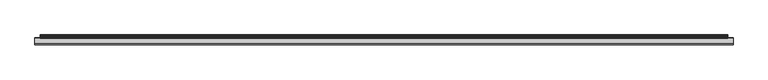
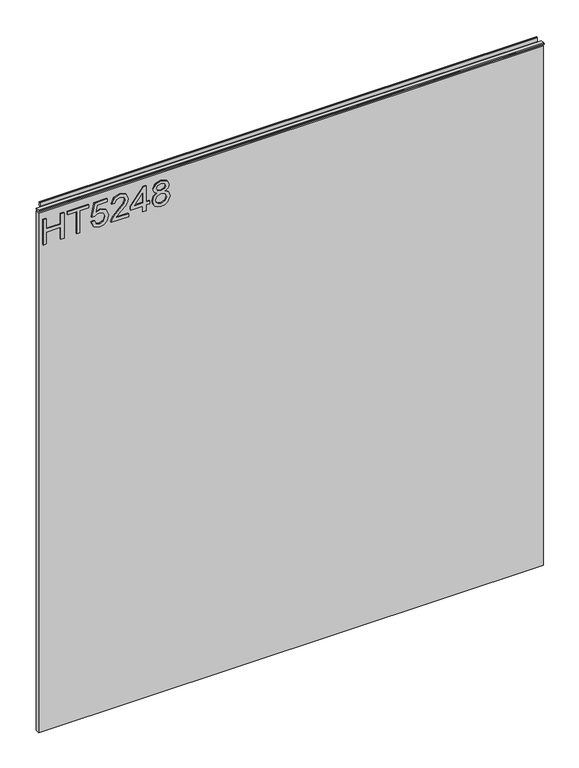
"""IFC4 building model written with IfcOpenShell, lengths in millimetres: furniture geometry."""

from ifc_helpers import new_model, si_unit, frame, origin, place, context, project, spatial, polyline, outline, extrude, source, transform, mapped, element, save


def furniture_804f5ed9(model_context):
    return source(origin(), model_context, "Body", "SweptSolid", [
        extrude(outline(polyline([(1332.4078, -288.5795281), (1332.4078, -280.6058085), (1362.3092486, -280.6058085), (1362.3092486, -246.7175001), (1332.4078, -246.7175001), (1332.4078, -238.7437805), (1396.1975569, -238.7437805), (1396.1975569, -246.7175001), (1370.2829682, -246.7175001), (1370.2829682, -280.6058085), (1396.1975569, -280.6058085), (1396.1975569, -288.5795281), (1332.4078, -288.5795281)])), frame((0.0, -5.6037602, 0.0), z_axis=(0.0, 1.0, 0.0), x_axis=(0.0, 0.0, 1.0)), (0.0, 0.0, 1.0), 2.38125),
        extrude(outline(polyline([(1332.4078, -208.8423319), (1332.4078, -200.8686123), (1388.2238373, -200.8686123), (1388.2238373, -179.9375983), (1396.1975569, -179.9375983), (1396.1975569, -229.7733459), (1388.2238373, -229.7733459), (1388.2238373, -208.8423319), (1332.4078, -208.8423319)])), frame((0.0, -5.6037602, 0.0), z_axis=(0.0, 1.0, 0.0), x_axis=(0.0, 0.0, 1.0)), (0.0, 0.0, 1.0), 2.38125),
        extrude(outline(polyline([(1349.3519542, -173.9573086), (1336.3245783, -167.735627), (1331.411085, -153.6648151), (1333.3227532, -144.2738914), (1339.0577576, -137.094429), (1353.8527451, -132.0952806), (1368.5542907, -137.6472943), (1374.269828, -151.2820434), (1369.6600213, -162.9467231), (1387.2271224, -159.5360891), (1387.2271224, -135.0854254), (1395.200842, -135.0854254), (1395.200842, -165.983589), (1362.3092486, -172.9605936), (1361.3125336, -164.986874), (1364.9100516, -160.5094436), (1366.2961084, -153.5090784), (1362.8231797, -143.4095527), (1353.3543877, -140.0690002), (1343.2081409, -143.6353709), (1339.3848047, -153.6336678), (1342.1335576, -161.9655818), (1350.3486691, -165.983589), (1349.3519542, -173.9573086)])), frame((0.0, -5.6037602, 0.0), z_axis=(0.0, 1.0, 0.0), x_axis=(0.0, 0.0, 1.0)), (0.0, 0.0, 1.0), 2.38125),
        extrude(outline(polyline([(1340.3815196, -84.2529629), (1340.3815196, -115.5716155), (1344.4384609, -111.9740975), (1352.108494, -102.8012052), (1363.0334243, -91.3779174), (1370.8514072, -86.6668819), (1378.4124245, -85.2496778), (1391.0893928, -90.5057918), (1396.1975569, -104.7790614), (1391.603324, -119.00561), (1378.2566878, -125.1182759), (1377.2599729, -117.1445563), (1385.3115608, -113.7884302), (1388.2238373, -104.9503718), (1385.2414793, -96.4705079), (1377.9296407, -93.2233975), (1368.8969115, -96.6651788), (1355.61257, -110.432304), (1346.3695962, -120.4150272), (1337.9053059, -125.258439), (1332.4078, -126.1149909), (1332.4078, -84.2529629), (1340.3815196, -84.2529629)])), frame((0.0, -5.6037602, 0.0), z_axis=(0.0, 1.0, 0.0), x_axis=(0.0, 0.0, 1.0)), (0.0, 0.0, 1.0), 2.38125),
        extrude(outline(polyline([(1332.4078, -50.3646545), (1332.4078, -42.3909349), (1347.3585243, -42.3909349), (1347.3585243, -34.4172153), (1355.3322439, -34.4172153), (1355.3322439, -42.3909349), (1395.200842, -42.3909349), (1395.200842, -48.3712246), (1355.3322439, -79.2693881), (1347.3585243, -79.2693881), (1347.3585243, -50.3646545), (1332.4078, -50.3646545)]), holes=[polyline([(1355.3322439, -50.3646545), (1355.3322439, -69.4579753), (1379.9697916, -50.3646545), (1355.3322439, -50.3646545)])]), frame((0.0, -5.6037602, 0.0), z_axis=(0.0, 1.0, 0.0), x_axis=(0.0, 0.0, 1.0)), (0.0, 0.0, 1.0), 2.38125),
        extrude(outline(polyline([(1367.5420021, -15.8222519), (1361.7485964, -24.4189184), (1351.1896474, -27.4402106), (1343.4320125, -25.999646), (1337.0721145, -21.6779523), (1332.8263424, -15.0046342), (1331.411085, -6.5091966), (1332.8205023, 1.986241), (1337.048754, 8.6595591), (1350.971616, 14.4218174), (1361.2891731, 11.5173277), (1367.5420021, 3.0374638), (1372.471069, 10.1001237), (1379.9853653, 12.4283875), (1391.4787346, 7.195634), (1396.1975569, -6.6182123), (1391.5877503, -20.3074692), (1380.2033967, -25.4467807), (1372.4944295, -23.0873695), (1367.5420021, -15.8222519)]), holes=[polyline([(1379.9697916, -17.4730611), (1385.7943446, -14.5997188), (1388.2238373, -6.5091966), (1385.7398368, 1.557965), (1379.6115972, 4.4546679), (1373.6936022, 1.6514071), (1371.2796831, -6.4157546), (1373.7091758, -14.6464398), (1379.9697916, -17.4730611)]), polyline([(1351.4699735, -19.466491), (1359.9264769, -16.0947912), (1363.3059635, -6.7116543), (1359.8797559, 2.9440218), (1351.2207947, 6.4480978), (1342.7253571, 3.0530375), (1339.3848047, -6.4469019), (1340.9733191, -13.4239066), (1345.4663232, -18.1349421), (1351.4699735, -19.466491)])]), frame((0.0, -5.6037602, 0.0), z_axis=(0.0, 1.0, 0.0), x_axis=(0.0, 0.0, 1.0)), (0.0, 0.0, 1.0), 2.38125),
        extrude(outline(polyline([(5.5562561, 1422.4), (6.3500061, 1422.4), (6.3500061, 1432.27425), (7.1437561, 1433.068), (8.6677569, 1433.068), (10.0084363, 1432.6506926), (10.875413, 1431.5461816), (10.9623604, 1430.1447591), (10.2390011, 1427.1863459), (10.4046103, 1425.9833307), (11.6746103, 1423.7836103), (10.7786383, 1423.2663244), (7.1437561, 1423.2663244), (7.1437561, 1422.4), (6.3500061, 1422.1669239), (6.3500061, 1414.9578), (5.5562561, 1414.9578), (5.5562561, 1422.4)])), frame((-288.671, 0.0, 0.0), z_axis=(1.0, 0.0, 0.0), x_axis=(0.0, 1.0, 0.0)), (0.0, 0.0, 1.0), 1186.942),
        extrude(outline(polyline([(5.5562561, 1422.4), (5.5562561, 1419.2249996), (-3.975094, 1419.2249996), (-5.3492339, 1420.0183657), (-5.3492339, 1421.6066395), (-3.9751037, 1422.4), (5.5562561, 1422.4)])), frame((-298.196, 0.0, 0.0), z_axis=(1.0, 0.0, 0.0), x_axis=(0.0, 1.0, 0.0)), (0.0, 0.0, 1.0), 1205.992),
        extrude(outline(polyline([(907.796, 6.3500061), (907.796, -3.1749939), (-298.196, -3.1749939), (-298.196, 6.3500061), (907.796, 6.3500061)])), frame((0.0, 0.0, 104.69626), z_axis=(0.0, 0.0, 1.0), x_axis=(1.0, 0.0, 0.0)), (0.0, 0.0, 1.0), 1310.26154),
    ])


if __name__ == "__main__":
    model = new_model("IFC4")
    model_context = context("Model", 3, world=origin())
    ifc_project = project(units=[si_unit("LENGTHUNIT", "METRE", prefix="MILLI")], contexts=[model_context])
    site = spatial("IfcSite", under=ifc_project)
    building = spatial("IfcBuilding", under=site)
    placement = place(None, origin())
    furniture_shape = furniture_804f5ed9(model_context)
    element("IfcFurniture", 1, at=placement, inside=building, context=model_context, shape_type="MappedRepresentation", body=[
        mapped(furniture_shape, transform((0.0, 0.0, 0.0), x_axis=(1.0, 0.0, 0.0), y_axis=(0.0, 1.0, 0.0), z_axis=(0.0, 0.0, 1.0))),
    ])
    save(model, "model.ifc")
